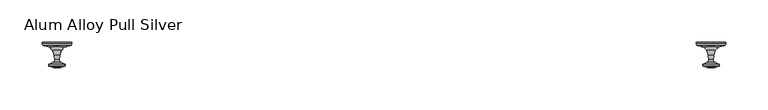
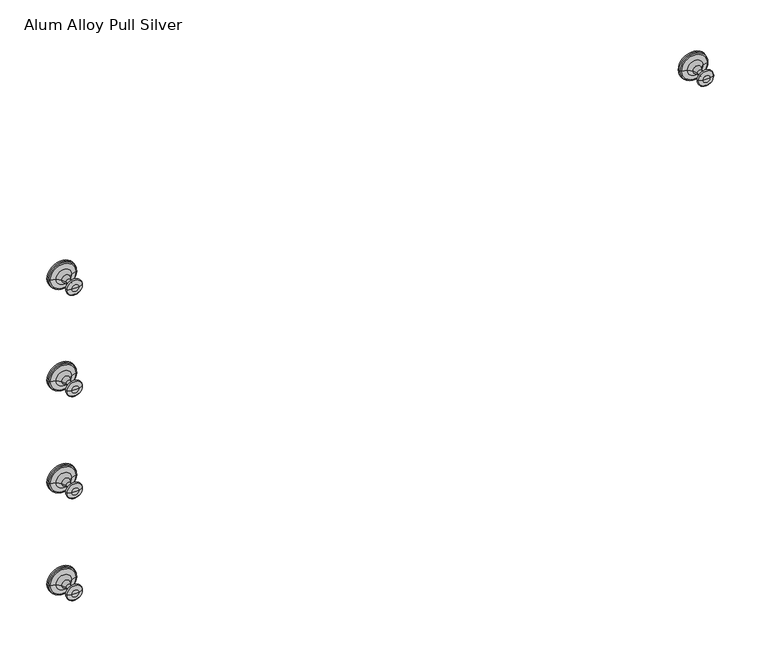
"""IFC4 building model written with IfcOpenShell, lengths in millimetres: furniture geometry, Alum Alloy Pull Silver."""

import ifcopenshell
import ifcopenshell.guid

model = None  # the IFC model being written
_history = None  # IfcOwnerHistory: only IFC2X3 demands one
_inside = {}  # id of a spatial element -> (the spatial element, [elements in it])
_under = {}  # id of a project, library or spatial element -> (it, [spatial elements below it])
_declared = {}  # id of a project -> (the project, [libraries it declares])
_typed = {}  # id of a type object -> (the type object, [elements of that type])
_made_of = {}  # id of a material, layer set ... -> (it, [elements and type objects made of it])


def new_model(schema):
    """Start an empty IFC model of exactly this schema.

    Asked for "IFC4X3", IfcOpenShell would pick the latest addendum, in which some entities
    have other attributes; the version numbers below select the first issue.
    IFC2X3 requires an IfcOwnerHistory on every rooted entity: one is made here for all.
    """
    global model, _history
    if schema == "IFC4X3":
        model = ifcopenshell.file(schema_version=(4, 3, 0, 0))
    else:
        model = ifcopenshell.file(schema=schema)
    _inside.clear()
    _under.clear()
    _declared.clear()
    _typed.clear()
    _made_of.clear()
    _history = None
    if model.schema == "IFC2X3":
        org = make("IfcOrganization", Name="unknown")
        user = make(
            "IfcPersonAndOrganization",
            ThePerson=make("IfcPerson", FamilyName="unknown"),
            TheOrganization=org,
        )
        app = make(
            "IfcApplication",
            ApplicationDeveloper=org,
            Version="unknown",
            ApplicationFullName="unknown",
            ApplicationIdentifier="unknown",
        )
        _history = make(
            "IfcOwnerHistory",
            OwningUser=user,
            OwningApplication=app,
            ChangeAction="ADDED",
            CreationDate=0,
        )
    return model


def make(cls, **values):
    """One entity of the class cls with the attributes given. An attribute that is None is left unset."""
    return model.create_entity(
        cls, **{name: value for name, value in values.items() if value is not None}
    )


def rooted(cls, **values):
    """An entity with a GlobalId (a new one), such as an element, a storey or a relation."""
    return make(cls, GlobalId=ifcopenshell.guid.new(), OwnerHistory=_history, **values)


def si_unit(unit_type, name, prefix=None):
    """IfcSIUnit, for example si_unit("LENGTHUNIT", "METRE", prefix="MILLI")."""
    return make("IfcSIUnit", UnitType=unit_type, Prefix=prefix, Name=name)


def assignment(units):
    """IfcUnitAssignment: the units of a project."""
    return None if units is None else make("IfcUnitAssignment", Units=units)


def point(xyz):
    """IfcCartesianPoint."""
    return None if xyz is None else make("IfcCartesianPoint", Coordinates=xyz)


def direction(xyz):
    """IfcDirection."""
    return None if xyz is None else make("IfcDirection", DirectionRatios=xyz)


def frame(location, z_axis=None, x_axis=None):
    """IfcAxis2Placement3D, a coordinate frame: its origin and axes. An axis left out is left unset."""
    return make(
        "IfcAxis2Placement3D",
        Location=point(location),
        Axis=direction(z_axis),
        RefDirection=direction(x_axis),
    )


def origin():
    """The frame at (0, 0, 0) with its axes left unset."""
    return frame((0.0, 0.0, 0.0))


def place(relative_to, where):
    """IfcLocalPlacement: puts the frame where relative to a parent placement (None: the world)."""
    return make(
        "IfcLocalPlacement", PlacementRelTo=relative_to, RelativePlacement=where
    )


def context(
    kind, dimensions, precision=None, world=None, true_north=None, identifier=None
):
    """IfcGeometricRepresentationContext, for example the 3D "Model" context."""
    return make(
        "IfcGeometricRepresentationContext",
        ContextIdentifier=identifier,
        ContextType=kind,
        CoordinateSpaceDimension=dimensions,
        Precision=precision,
        WorldCoordinateSystem=world,
        TrueNorth=true_north,
    )


def project(units=None, contexts=None):
    """IfcProject with its units and contexts."""
    return rooted(
        "IfcProject",
        Name="project",
        RepresentationContexts=contexts,
        UnitsInContext=assignment(units),
    )


def spatial(cls, under=None, at=None, **own):
    """A site, building, storey or space (cls), placed at a placement, below another one or the project."""
    s = rooted(cls, ObjectPlacement=at, **own)
    if under is not None:
        _under.setdefault(under.id(), (under, []))[1].append(s)
    return s


def polyline(points):
    """IfcPolyline through the points."""
    return make("IfcPolyline", Points=[point(p) for p in points])


def circle_curve(where, radius):
    """IfcCircle in the frame where."""
    return make("IfcCircle", Position=where, Radius=radius)


def ellipse_curve(where, semi_axis1, semi_axis2):
    """IfcEllipse in the frame where."""
    return make(
        "IfcEllipse", Position=where, SemiAxis1=semi_axis1, SemiAxis2=semi_axis2
    )


def trimmed(basis, trim1, trim2, sense, master):
    """IfcTrimmedCurve: the piece of a basis curve between two trims."""
    return make(
        "IfcTrimmedCurve",
        BasisCurve=basis,
        Trim1=trim1,
        Trim2=trim2,
        SenseAgreement=sense,
        MasterRepresentation=master,
    )


def shape(context_of_items, identifier, shape_type, items):
    """IfcShapeRepresentation: the items that make up one representation, for example the "Body"."""
    return make(
        "IfcShapeRepresentation",
        ContextOfItems=context_of_items,
        RepresentationIdentifier=identifier,
        RepresentationType=shape_type,
        Items=items,
    )


def source(mapping_origin, context_of_items, identifier, shape_type, items):
    """IfcRepresentationMap: a shape defined once, which mapped items show again and again."""
    return make(
        "IfcRepresentationMap",
        MappingOrigin=mapping_origin,
        MappedRepresentation=shape(context_of_items, identifier, shape_type, items),
    )


def transform(
    local_origin,
    x_axis=None,
    y_axis=None,
    z_axis=None,
    scale=None,
    scale2=None,
    scale3=None,
    uniform=True,
):
    """IfcCartesianTransformationOperator3D, or its non-uniform kind. x_axis, y_axis, z_axis: its Axis1, 2, 3."""
    if uniform:
        return make(
            "IfcCartesianTransformationOperator3D",
            Axis1=direction(x_axis),
            Axis2=direction(y_axis),
            LocalOrigin=point(local_origin),
            Scale=scale,
            Axis3=direction(z_axis),
        )
    return make(
        "IfcCartesianTransformationOperator3DnonUniform",
        Axis1=direction(x_axis),
        Axis2=direction(y_axis),
        LocalOrigin=point(local_origin),
        Scale=scale,
        Axis3=direction(z_axis),
        Scale2=scale2,
        Scale3=scale3,
    )


def mapped(mapping_source, mapping_target):
    """IfcMappedItem: shows the shape of a source again, moved by a transform."""
    return make(
        "IfcMappedItem", MappingSource=mapping_source, MappingTarget=mapping_target
    )


def made_of(thing, what):
    """Note that an element or type object is made of a material, layer set ...; save() writes the relation."""
    if what is not None:
        _made_of.setdefault(what.id(), (what, []))[1].append(thing)
    return thing


def element(
    cls,
    number,
    at=None,
    inside=None,
    cuts=None,
    type_object=None,
    material=None,
    context=None,
    identifier="Body",
    shape_type=None,
    held_by="IfcProductDefinitionShape",
    body=None,
    shapes=None,
    **own,
):
    """One element of the class cls, such as IfcWall. Its Tag is "e" and its number.

    at: its placement. inside: the storey or other place that contains it. cuts: it is an
    opening in that element (IfcRelVoidsElement). A single representation is given by context,
    identifier, shape_type and body (its items); several are given by shapes. held_by: the class
    of the entity that holds the representations. save() writes the other relations.
    """
    e = rooted(cls, Tag="e%d" % number, ObjectPlacement=at, **own)
    if body is not None:
        shapes = [shape(context, identifier, shape_type, body)]
    if shapes is not None:
        e.Representation = make(held_by, Representations=shapes)
    if inside is not None:
        _inside.setdefault(inside.id(), (inside, []))[1].append(e)
    if cuts is not None:
        rooted(
            "IfcRelVoidsElement", RelatingBuildingElement=cuts, RelatedOpeningElement=e
        )
    if type_object is not None:
        _typed.setdefault(type_object.id(), (type_object, []))[1].append(e)
    return made_of(e, material)


def aggregate(whole, parts):
    """IfcRelAggregates: a whole, such as a stair, and the parts it consists of."""
    return rooted("IfcRelAggregates", RelatingObject=whole, RelatedObjects=parts)


def save(model, path):
    """Write the relations noted so far, then the file.

    IfcRelAggregates (storeys below a building ...), IfcRelContainedInSpatialStructure (elements
    in a storey), IfcRelDefinesByType, IfcRelAssociatesMaterial and IfcRelDeclares: one each for
    every whole, place, type object, material and project.
    """
    for whole, parts in _under.values():
        aggregate(whole, parts)
    for where, things in _inside.values():
        rooted(
            "IfcRelContainedInSpatialStructure",
            RelatedElements=things,
            RelatingStructure=where,
        )
    for kind, things in _typed.values():
        rooted("IfcRelDefinesByType", RelatedObjects=things, RelatingType=kind)
    for what, things in _made_of.values():
        rooted("IfcRelAssociatesMaterial", RelatedObjects=things, RelatingMaterial=what)
    for by, libraries in _declared.values():
        rooted("IfcRelDeclares", RelatingContext=by, RelatedDefinitions=libraries)
    model.write(path)


def plane_surface(at):
    """IfcPlane: the flat surface through the origin of the frame at, square to its z axis."""
    return make("IfcPlane", Position=at)


def cylinder_surface(at, radius):
    """IfcCylindricalSurface: all points at the distance radius from the z axis of the frame at."""
    return make("IfcCylindricalSurface", Position=at, Radius=radius)


def revolved_surface(curve, axis_point, axis_direction):
    """IfcSurfaceOfRevolution: the curve turned about the line through axis_point along axis_direction."""
    return make(
        "IfcSurfaceOfRevolution",
        SweptCurve=make("IfcArbitraryOpenProfileDef", ProfileType="CURVE", Curve=curve),
        AxisPosition=make("IfcAxis1Placement", Location=point(axis_point), Axis=direction(axis_direction)),
    )


def advanced_brep(points, edges, surfaces, faces):
    """IfcAdvancedBrep: a solid bounded by faces that lie on surfaces and meet in shared edges.

    An edge is (start, end): straight between two places in points (the first is 0);
    or (start, end, curve); or (start, end, curve, False) where it runs against its curve.
    A face is (place in surfaces, loops), or (place, loops, False) where it looks against
    its surface's normal. A loop lists edges by number (the first is 1), with a minus sign
    where the edge is run from its end to its start. The first loop is the outer one.
    """
    corners = [point(p) for p in points]
    vertices = [make("IfcVertexPoint", VertexGeometry=c) for c in corners]
    made = []
    for start, end, *more in edges:
        made.append(
            make(
                "IfcEdgeCurve",
                EdgeStart=vertices[start],
                EdgeEnd=vertices[end],
                EdgeGeometry=more[0] if more else make("IfcPolyline", Points=[corners[start], corners[end]]),
                SameSense=more[1] if len(more) > 1 else True,
            )
        )
    hull = []
    for where, loops, *sense in faces:
        bounds = []
        for j, loop in enumerate(loops):
            ring = [make("IfcOrientedEdge", EdgeElement=made[abs(k) - 1], Orientation=k > 0) for k in loop]
            bounds.append(
                make(
                    "IfcFaceOuterBound" if j == 0 else "IfcFaceBound",
                    Bound=make("IfcEdgeLoop", EdgeList=ring),
                    Orientation=True,
                )
            )
        hull.append(make("IfcAdvancedFace", Bounds=bounds, FaceSurface=surfaces[where], SameSense=sense[0] if sense else True))
    return make("IfcAdvancedBrep", Outer=make("IfcClosedShell", CfsFaces=hull))


def alum_alloy_pull_silver_6780ac53(model_context):
    return source(origin(), model_context, "Body", "AdvancedBrep", [
        advanced_brep(
        [(346.1355663, -257.8192238, 657.9997), (364.7494737, -257.8192238, 657.9997), (360.1854354, -259.1398554, 657.9997), (350.6996046, -259.1398554, 657.9997), (346.2656092, -255.2710872, 657.9997), (364.6194308, -255.2710872, 657.9997), (350.9048174, -253.301007, 657.9997), (359.9802226, -253.301007, 657.9997), (352.7536943, -250.2783323, 657.9997), (358.1313457, -250.2783323, 657.9997), (352.3778815, -245.0166622, 657.9997), (358.5071585, -245.0166622, 657.9997), (350.4313797, -239.1137522, 657.9997), (360.4536603, -239.1137522, 657.9997), (345.9168296, -234.8414839, 657.9997), (364.9682104, -234.8414839, 657.9997), (339.9156334, -233.2231597, 657.9997), (370.9694066, -233.2231597, 657.9997), (338.4975151, -232.6357682, 657.9997), (372.3875249, -232.6357682, 657.9997), (337.9101236, -231.2176499, 657.9997), (372.9749164, -231.2176499, 657.9997), (337.9101236, -229.21214, 657.9997), (372.9749164, -229.21214, 657.9997), (355.44252, -229.21214, 657.9997), (355.44252, -259.5867943, 657.9997)],
        [
            (0, 1, circle_curve(frame((355.44252, -257.8192238, 657.9997), z_axis=(0.0, -1.0, 0.0), x_axis=(1.0, 0.0, 0.0)), 9.3069537)),
            (1, 2),
            (2, 3, circle_curve(frame((355.44252, -259.1398554, 657.9997), z_axis=(0.0, 1.0, 0.0), x_axis=(1.0, 0.0, 0.0)), 4.7429154)),
            (3, 0),
            (1, 0, circle_curve(frame((355.44252, -257.8192238, 657.9997), z_axis=(0.0, -1.0, 0.0), x_axis=(1.0, 0.0, 0.0)), 9.3069537)),
            (3, 2, circle_curve(frame((355.44252, -259.1398554, 657.9997), z_axis=(0.0, 1.0, 0.0), x_axis=(1.0, 0.0, 0.0)), 4.7429154)),
            (4, 5, circle_curve(frame((355.44252, -255.2710872, 657.9997), z_axis=(0.0, -1.0, 0.0), x_axis=(1.0, 0.0, 0.0)), 9.1769108)),
            (5, 1, circle_curve(frame((363.9039745, -256.5849868, 657.9997), z_axis=(0.0, 0.0, -1.0), x_axis=(-1.0, 0.0, 0.0)), 1.4960648)),
            (0, 4, circle_curve(frame((346.9810655, -256.5849868, 657.9997), z_axis=(0.0, 0.0, -1.0), x_axis=(1.0, 0.0, 0.0)), 1.4960648)),
            (5, 4, circle_curve(frame((355.44252, -255.2710872, 657.9997), z_axis=(0.0, -1.0, 0.0), x_axis=(1.0, 0.0, 0.0)), 9.1769108)),
            (6, 7, circle_curve(frame((355.44252, -253.301007, 657.9997), z_axis=(0.0, -1.0, 0.0), x_axis=(1.0, 0.0, 0.0)), 4.5377026)),
            (7, 5),
            (4, 6),
            (7, 6, circle_curve(frame((355.44252, -253.301007, 657.9997), z_axis=(0.0, -1.0, 0.0), x_axis=(1.0, 0.0, 0.0)), 4.5377026)),
            (8, 9, circle_curve(frame((355.44252, -250.2783323, 657.9997), z_axis=(0.0, -1.0, 0.0), x_axis=(1.0, 0.0, 0.0)), 2.6888257)),
            (9, 7, circle_curve(frame((361.1716131, -250.4954823, 657.9997), z_axis=(0.0, 0.0, 1.0), x_axis=(-1.0, 0.0, 0.0)), 3.0480125)),
            (6, 8, circle_curve(frame((349.7134269, -250.4954823, 657.9997), z_axis=(0.0, 0.0, 1.0), x_axis=(1.0, 0.0, 0.0)), 3.0480125)),
            (9, 8, circle_curve(frame((355.44252, -250.2783323, 657.9997), z_axis=(0.0, -1.0, 0.0), x_axis=(1.0, 0.0, 0.0)), 2.6888257)),
            (10, 11, circle_curve(frame((355.44252, -245.0166622, 657.9997), z_axis=(0.0, -1.0, 0.0), x_axis=(1.0, 0.0, 0.0)), 3.0646385)),
            (11, 9),
            (8, 10),
            (11, 10, circle_curve(frame((355.44252, -245.0166622, 657.9997), z_axis=(0.0, -1.0, 0.0), x_axis=(1.0, 0.0, 0.0)), 3.0646385)),
            (12, 13, circle_curve(frame((355.44252, -239.1137522, 657.9997), z_axis=(0.0, -1.0, 0.0), x_axis=(1.0, 0.0, 0.0)), 5.0111403)),
            (13, 11),
            (10, 12),
            (13, 12, circle_curve(frame((355.44252, -239.1137522, 657.9997), z_axis=(0.0, -1.0, 0.0), x_axis=(1.0, 0.0, 0.0)), 5.0111403)),
            (14, 15, circle_curve(frame((355.44252, -234.8414839, 657.9997), z_axis=(0.0, -1.0, 0.0), x_axis=(1.0, 0.0, 0.0)), 9.5256904)),
            (15, 13),
            (12, 14),
            (15, 14, circle_curve(frame((355.44252, -234.8414839, 657.9997), z_axis=(0.0, -1.0, 0.0), x_axis=(1.0, 0.0, 0.0)), 9.5256904)),
            (16, 17, circle_curve(frame((355.44252, -233.2231597, 657.9997), z_axis=(0.0, -1.0, 0.0), x_axis=(1.0, 0.0, 0.0)), 15.5268866)),
            (17, 15),
            (14, 16),
            (17, 16, circle_curve(frame((355.44252, -233.2231597, 657.9997), z_axis=(0.0, -1.0, 0.0), x_axis=(1.0, 0.0, 0.0)), 15.5268866)),
            (18, 19, circle_curve(frame((355.44252, -232.6357682, 657.9997), z_axis=(0.0, -1.0, 0.0), x_axis=(1.0, 0.0, 0.0)), 16.9450049)),
            (19, 17),
            (16, 18),
            (19, 18, circle_curve(frame((355.44252, -232.6357682, 657.9997), z_axis=(0.0, -1.0, 0.0), x_axis=(1.0, 0.0, 0.0)), 16.9450049)),
            (20, 21, circle_curve(frame((355.44252, -231.2176499, 657.9997), z_axis=(0.0, -1.0, 0.0), x_axis=(1.0, 0.0, 0.0)), 17.5323964)),
            (21, 19),
            (18, 20),
            (21, 20, circle_curve(frame((355.44252, -231.2176499, 657.9997), z_axis=(0.0, -1.0, 0.0), x_axis=(1.0, 0.0, 0.0)), 17.5323964)),
            (22, 23, circle_curve(frame((355.44252, -229.21214, 657.9997), z_axis=(0.0, -1.0, 0.0), x_axis=(1.0, 0.0, 0.0)), 17.5323964)),
            (23, 21),
            (20, 22),
            (23, 22, circle_curve(frame((355.44252, -229.21214, 657.9997), z_axis=(0.0, -1.0, 0.0), x_axis=(1.0, 0.0, 0.0)), 17.5323964)),
            (24, 23),
            (22, 24),
            (2, 25),
            (25, 3),
        ],
        [
            revolved_surface(polyline([(360.1854354, -259.1398554, 657.9997), (364.7494737, -257.8192238, 657.9997)]), (355.44252, -259.5867943, 657.9997), (0.0, 1.0, 0.0)),
            revolved_surface(trimmed(ellipse_curve(frame((363.9039745, -256.5849868, 657.9997), z_axis=(0.0, 0.0, 1.0), x_axis=(-1.0, 0.0, 0.0)), 1.4960648, 1.4960648), [point((364.7494737, -257.8192238, 657.9997))], [point((364.6194308, -255.2710872, 657.9997))], True, "CARTESIAN"), (355.44252, -259.5867943, 657.9997), (0.0, 1.0, 0.0)),
            revolved_surface(polyline([(364.6194308, -255.2710872, 657.9997), (359.9802226, -253.301007, 657.9997)]), (355.44252, -259.5867943, 657.9997), (0.0, 1.0, 0.0)),
            revolved_surface(trimmed(ellipse_curve(frame((361.1716131, -250.4954823, 657.9997), z_axis=(0.0, 0.0, -1.0), x_axis=(-1.0, 0.0, 0.0)), 3.0480125, 3.0480125), [point((359.9802226, -253.301007, 657.9997))], [point((358.1313457, -250.2783323, 657.9997))], True, "CARTESIAN"), (355.44252, -259.5867943, 657.9997), (0.0, 1.0, 0.0)),
            revolved_surface(polyline([(358.1313457, -250.2783323, 657.9997), (358.5071585, -245.0166622, 657.9997)]), (355.44252, -259.5867943, 657.9997), (0.0, 1.0, 0.0)),
            revolved_surface(polyline([(358.5071585, -245.0166622, 657.9997), (360.4536603, -239.1137522, 657.9997)]), (355.44252, -259.5867943, 657.9997), (0.0, 1.0, 0.0)),
            revolved_surface(polyline([(360.4536603, -239.1137522, 657.9997), (364.9682104, -234.8414839, 657.9997)]), (355.44252, -259.5867943, 657.9997), (0.0, 1.0, 0.0)),
            revolved_surface(polyline([(364.9682104, -234.8414839, 657.9997), (370.9694066, -233.2231597, 657.9997)]), (355.44252, -259.5867943, 657.9997), (0.0, 1.0, 0.0)),
            revolved_surface(polyline([(370.9694066, -233.2231597, 657.9997), (372.3875249, -232.6357682, 657.9997)]), (355.44252, -259.5867943, 657.9997), (0.0, 1.0, 0.0)),
            revolved_surface(polyline([(372.3875249, -232.6357682, 657.9997), (372.9749164, -231.2176499, 657.9997)]), (355.44252, -259.5867943, 657.9997), (0.0, 1.0, 0.0)),
            cylinder_surface(frame((355.44252, -259.5867943, 657.9997), z_axis=(0.0, 1.0, 0.0), x_axis=(1.0, 0.0, 0.0)), 17.5323964),
            plane_surface(frame((355.44252, -229.21214, 657.9997), z_axis=(0.0, 1.0, 0.0), x_axis=(1.0, 0.0, 0.0))),
            revolved_surface(polyline([(355.44252, -259.5867943, 657.9997), (360.1854354, -259.1398554, 657.9997)]), (355.44252, -259.5867943, 657.9997), (0.0, 1.0, 0.0)),
        ],
        [
            (0, [[1, 2, 3, 4]]),
            (0, [[5, -4, 6, -2]]),
            (1, [[7, 8, -1, 9]]),
            (1, [[10, -9, -5, -8]]),
            (2, [[11, 12, -7, 13]]),
            (2, [[14, -13, -10, -12]]),
            (3, [[15, 16, -11, 17]]),
            (3, [[18, -17, -14, -16]]),
            (4, [[19, 20, -15, 21]]),
            (4, [[22, -21, -18, -20]]),
            (5, [[23, 24, -19, 25]]),
            (5, [[26, -25, -22, -24]]),
            (6, [[27, 28, -23, 29]]),
            (6, [[30, -29, -26, -28]]),
            (7, [[31, 32, -27, 33]]),
            (7, [[34, -33, -30, -32]]),
            (8, [[35, 36, -31, 37]]),
            (8, [[38, -37, -34, -36]]),
            (9, [[39, 40, -35, 41]]),
            (9, [[42, -41, -38, -40]]),
            (10, [[43, 44, -39, 45]]),
            (10, [[46, -45, -42, -44]]),
            (11, [[47, -43, 48]]),
            (11, [[-48, -46, -47]]),
            (12, [[-3, 49, 50]]),
            (12, [[-6, -50, -49]]),
        ],
    ),
        advanced_brep(
        [(-429.8699937, -257.8192238, 261.112), (-411.2560863, -257.8192238, 261.112), (-415.8201246, -259.1398554, 261.112), (-425.3059554, -259.1398554, 261.112), (-429.7399508, -255.2710872, 261.112), (-411.3861292, -255.2710872, 261.112), (-425.1007426, -253.301007, 261.112), (-416.0253374, -253.301007, 261.112), (-423.2518657, -250.2783323, 261.112), (-417.8742143, -250.2783323, 261.112), (-423.6276785, -245.0166622, 261.112), (-417.4984015, -245.0166622, 261.112), (-425.5741803, -239.1137522, 261.112), (-415.5518997, -239.1137522, 261.112), (-430.0887304, -234.8414839, 261.112), (-411.0373496, -234.8414839, 261.112), (-436.0899266, -233.2231597, 261.112), (-405.0361534, -233.2231597, 261.112), (-437.5080449, -232.6357682, 261.112), (-403.6180351, -232.6357682, 261.112), (-438.0954364, -231.2176499, 261.112), (-403.0306436, -231.2176499, 261.112), (-438.0954364, -229.21214, 261.112), (-403.0306436, -229.21214, 261.112), (-420.56304, -229.21214, 261.112), (-420.56304, -259.5867943, 261.112)],
        [
            (0, 1, circle_curve(frame((-420.56304, -257.8192238, 261.112), z_axis=(0.0, -1.0, 0.0), x_axis=(1.0, 0.0, 0.0)), 9.3069537)),
            (1, 2),
            (2, 3, circle_curve(frame((-420.56304, -259.1398554, 261.112), z_axis=(0.0, 1.0, 0.0), x_axis=(1.0, 0.0, 0.0)), 4.7429154)),
            (3, 0),
            (1, 0, circle_curve(frame((-420.56304, -257.8192238, 261.112), z_axis=(0.0, -1.0, 0.0), x_axis=(1.0, 0.0, 0.0)), 9.3069537)),
            (3, 2, circle_curve(frame((-420.56304, -259.1398554, 261.112), z_axis=(0.0, 1.0, 0.0), x_axis=(1.0, 0.0, 0.0)), 4.7429154)),
            (4, 5, circle_curve(frame((-420.56304, -255.2710872, 261.112), z_axis=(0.0, -1.0, 0.0), x_axis=(1.0, 0.0, 0.0)), 9.1769108)),
            (5, 1, circle_curve(frame((-412.1015855, -256.5849868, 261.112), z_axis=(0.0, 0.0, -1.0), x_axis=(-1.0, 0.0, 0.0)), 1.4960648)),
            (0, 4, circle_curve(frame((-429.0244945, -256.5849868, 261.112), z_axis=(0.0, 0.0, -1.0), x_axis=(1.0, 0.0, 0.0)), 1.4960648)),
            (5, 4, circle_curve(frame((-420.56304, -255.2710872, 261.112), z_axis=(0.0, -1.0, 0.0), x_axis=(1.0, 0.0, 0.0)), 9.1769108)),
            (6, 7, circle_curve(frame((-420.56304, -253.301007, 261.112), z_axis=(0.0, -1.0, 0.0), x_axis=(1.0, 0.0, 0.0)), 4.5377026)),
            (7, 5),
            (4, 6),
            (7, 6, circle_curve(frame((-420.56304, -253.301007, 261.112), z_axis=(0.0, -1.0, 0.0), x_axis=(1.0, 0.0, 0.0)), 4.5377026)),
            (8, 9, circle_curve(frame((-420.56304, -250.2783323, 261.112), z_axis=(0.0, -1.0, 0.0), x_axis=(1.0, 0.0, 0.0)), 2.6888257)),
            (9, 7, circle_curve(frame((-414.8339469, -250.4954823, 261.112), z_axis=(0.0, 0.0, 1.0), x_axis=(-1.0, 0.0, 0.0)), 3.0480125)),
            (6, 8, circle_curve(frame((-426.2921331, -250.4954823, 261.112), z_axis=(0.0, 0.0, 1.0), x_axis=(1.0, 0.0, 0.0)), 3.0480125)),
            (9, 8, circle_curve(frame((-420.56304, -250.2783323, 261.112), z_axis=(0.0, -1.0, 0.0), x_axis=(1.0, 0.0, 0.0)), 2.6888257)),
            (10, 11, circle_curve(frame((-420.56304, -245.0166622, 261.112), z_axis=(0.0, -1.0, 0.0), x_axis=(1.0, 0.0, 0.0)), 3.0646385)),
            (11, 9),
            (8, 10),
            (11, 10, circle_curve(frame((-420.56304, -245.0166622, 261.112), z_axis=(0.0, -1.0, 0.0), x_axis=(1.0, 0.0, 0.0)), 3.0646385)),
            (12, 13, circle_curve(frame((-420.56304, -239.1137522, 261.112), z_axis=(0.0, -1.0, 0.0), x_axis=(1.0, 0.0, 0.0)), 5.0111403)),
            (13, 11),
            (10, 12),
            (13, 12, circle_curve(frame((-420.56304, -239.1137522, 261.112), z_axis=(0.0, -1.0, 0.0), x_axis=(1.0, 0.0, 0.0)), 5.0111403)),
            (14, 15, circle_curve(frame((-420.56304, -234.8414839, 261.112), z_axis=(0.0, -1.0, 0.0), x_axis=(1.0, 0.0, 0.0)), 9.5256904)),
            (15, 13),
            (12, 14),
            (15, 14, circle_curve(frame((-420.56304, -234.8414839, 261.112), z_axis=(0.0, -1.0, 0.0), x_axis=(1.0, 0.0, 0.0)), 9.5256904)),
            (16, 17, circle_curve(frame((-420.56304, -233.2231597, 261.112), z_axis=(0.0, -1.0, 0.0), x_axis=(1.0, 0.0, 0.0)), 15.5268866)),
            (17, 15),
            (14, 16),
            (17, 16, circle_curve(frame((-420.56304, -233.2231597, 261.112), z_axis=(0.0, -1.0, 0.0), x_axis=(1.0, 0.0, 0.0)), 15.5268866)),
            (18, 19, circle_curve(frame((-420.56304, -232.6357682, 261.112), z_axis=(0.0, -1.0, 0.0), x_axis=(1.0, 0.0, 0.0)), 16.9450049)),
            (19, 17),
            (16, 18),
            (19, 18, circle_curve(frame((-420.56304, -232.6357682, 261.112), z_axis=(0.0, -1.0, 0.0), x_axis=(1.0, 0.0, 0.0)), 16.9450049)),
            (20, 21, circle_curve(frame((-420.56304, -231.2176499, 261.112), z_axis=(0.0, -1.0, 0.0), x_axis=(1.0, 0.0, 0.0)), 17.5323964)),
            (21, 19),
            (18, 20),
            (21, 20, circle_curve(frame((-420.56304, -231.2176499, 261.112), z_axis=(0.0, -1.0, 0.0), x_axis=(1.0, 0.0, 0.0)), 17.5323964)),
            (22, 23, circle_curve(frame((-420.56304, -229.21214, 261.112), z_axis=(0.0, -1.0, 0.0), x_axis=(1.0, 0.0, 0.0)), 17.5323964)),
            (23, 21),
            (20, 22),
            (23, 22, circle_curve(frame((-420.56304, -229.21214, 261.112), z_axis=(0.0, -1.0, 0.0), x_axis=(1.0, 0.0, 0.0)), 17.5323964)),
            (24, 23),
            (22, 24),
            (2, 25),
            (25, 3),
        ],
        [
            revolved_surface(polyline([(-415.8201246, -259.1398554, 261.112), (-411.2560863, -257.8192238, 261.112)]), (-420.56304, -259.5867943, 261.112), (0.0, 1.0, 0.0)),
            revolved_surface(trimmed(ellipse_curve(frame((-412.1015855, -256.5849868, 261.112), z_axis=(0.0, 0.0, 1.0), x_axis=(-1.0, 0.0, 0.0)), 1.4960648, 1.4960648), [point((-411.2560863, -257.8192238, 261.112))], [point((-411.3861292, -255.2710872, 261.112))], True, "CARTESIAN"), (-420.56304, -259.5867943, 261.112), (0.0, 1.0, 0.0)),
            revolved_surface(polyline([(-411.3861292, -255.2710872, 261.112), (-416.0253374, -253.301007, 261.112)]), (-420.56304, -259.5867943, 261.112), (0.0, 1.0, 0.0)),
            revolved_surface(trimmed(ellipse_curve(frame((-414.8339469, -250.4954823, 261.112), z_axis=(0.0, 0.0, -1.0), x_axis=(-1.0, 0.0, 0.0)), 3.0480125, 3.0480125), [point((-416.0253374, -253.301007, 261.112))], [point((-417.8742143, -250.2783323, 261.112))], True, "CARTESIAN"), (-420.56304, -259.5867943, 261.112), (0.0, 1.0, 0.0)),
            revolved_surface(polyline([(-417.8742143, -250.2783323, 261.112), (-417.4984015, -245.0166622, 261.112)]), (-420.56304, -259.5867943, 261.112), (0.0, 1.0, 0.0)),
            revolved_surface(polyline([(-417.4984015, -245.0166622, 261.112), (-415.5518997, -239.1137522, 261.112)]), (-420.56304, -259.5867943, 261.112), (0.0, 1.0, 0.0)),
            revolved_surface(polyline([(-415.5518997, -239.1137522, 261.112), (-411.0373496, -234.8414839, 261.112)]), (-420.56304, -259.5867943, 261.112), (0.0, 1.0, 0.0)),
            revolved_surface(polyline([(-411.0373496, -234.8414839, 261.112), (-405.0361534, -233.2231597, 261.112)]), (-420.56304, -259.5867943, 261.112), (0.0, 1.0, 0.0)),
            revolved_surface(polyline([(-405.0361534, -233.2231597, 261.112), (-403.6180351, -232.6357682, 261.112)]), (-420.56304, -259.5867943, 261.112), (0.0, 1.0, 0.0)),
            revolved_surface(polyline([(-403.6180351, -232.6357682, 261.112), (-403.0306436, -231.2176499, 261.112)]), (-420.56304, -259.5867943, 261.112), (0.0, 1.0, 0.0)),
            cylinder_surface(frame((-420.56304, -259.5867943, 261.112), z_axis=(0.0, 1.0, 0.0), x_axis=(1.0, 0.0, 0.0)), 17.5323964),
            plane_surface(frame((-420.56304, -229.21214, 261.112), z_axis=(0.0, 1.0, 0.0), x_axis=(1.0, 0.0, 0.0))),
            revolved_surface(polyline([(-420.56304, -259.5867943, 261.112), (-415.8201246, -259.1398554, 261.112)]), (-420.56304, -259.5867943, 261.112), (0.0, 1.0, 0.0)),
        ],
        [
            (0, [[1, 2, 3, 4]]),
            (0, [[5, -4, 6, -2]]),
            (1, [[7, 8, -1, 9]]),
            (1, [[10, -9, -5, -8]]),
            (2, [[11, 12, -7, 13]]),
            (2, [[14, -13, -10, -12]]),
            (3, [[15, 16, -11, 17]]),
            (3, [[18, -17, -14, -16]]),
            (4, [[19, 20, -15, 21]]),
            (4, [[22, -21, -18, -20]]),
            (5, [[23, 24, -19, 25]]),
            (5, [[26, -25, -22, -24]]),
            (6, [[27, 28, -23, 29]]),
            (6, [[30, -29, -26, -28]]),
            (7, [[31, 32, -27, 33]]),
            (7, [[34, -33, -30, -32]]),
            (8, [[35, 36, -31, 37]]),
            (8, [[38, -37, -34, -36]]),
            (9, [[39, 40, -35, 41]]),
            (9, [[42, -41, -38, -40]]),
            (10, [[43, 44, -39, 45]]),
            (10, [[46, -45, -42, -44]]),
            (11, [[47, -43, 48]]),
            (11, [[-48, -46, -47]]),
            (12, [[-3, 49, 50]]),
            (12, [[-6, -50, -49]]),
        ],
    ),
        advanced_brep(
        [(-429.8699937, -257.8192238, 393.66825), (-411.2560863, -257.8192238, 393.66825), (-415.8201246, -259.1398554, 393.66825), (-425.3059554, -259.1398554, 393.66825), (-429.7399508, -255.2710872, 393.66825), (-411.3861292, -255.2710872, 393.66825), (-425.1007426, -253.301007, 393.66825), (-416.0253374, -253.301007, 393.66825), (-423.2518657, -250.2783323, 393.66825), (-417.8742143, -250.2783323, 393.66825), (-423.6276785, -245.0166622, 393.66825), (-417.4984015, -245.0166622, 393.66825), (-425.5741803, -239.1137522, 393.66825), (-415.5518997, -239.1137522, 393.66825), (-430.0887304, -234.8414839, 393.66825), (-411.0373496, -234.8414839, 393.66825), (-436.0899266, -233.2231597, 393.66825), (-405.0361534, -233.2231597, 393.66825), (-437.5080449, -232.6357682, 393.66825), (-403.6180351, -232.6357682, 393.66825), (-438.0954364, -231.2176499, 393.66825), (-403.0306436, -231.2176499, 393.66825), (-438.0954364, -229.21214, 393.66825), (-403.0306436, -229.21214, 393.66825), (-420.56304, -229.21214, 393.66825), (-420.56304, -259.5867943, 393.66825)],
        [
            (0, 1, circle_curve(frame((-420.56304, -257.8192238, 393.66825), z_axis=(0.0, -1.0, 0.0), x_axis=(1.0, 0.0, 0.0)), 9.3069537)),
            (1, 2),
            (2, 3, circle_curve(frame((-420.56304, -259.1398554, 393.66825), z_axis=(0.0, 1.0, 0.0), x_axis=(1.0, 0.0, 0.0)), 4.7429154)),
            (3, 0),
            (1, 0, circle_curve(frame((-420.56304, -257.8192238, 393.66825), z_axis=(0.0, -1.0, 0.0), x_axis=(1.0, 0.0, 0.0)), 9.3069537)),
            (3, 2, circle_curve(frame((-420.56304, -259.1398554, 393.66825), z_axis=(0.0, 1.0, 0.0), x_axis=(1.0, 0.0, 0.0)), 4.7429154)),
            (4, 5, circle_curve(frame((-420.56304, -255.2710872, 393.66825), z_axis=(0.0, -1.0, 0.0), x_axis=(1.0, 0.0, 0.0)), 9.1769108)),
            (5, 1, circle_curve(frame((-412.1015855, -256.5849868, 393.66825), z_axis=(0.0, 0.0, -1.0), x_axis=(-1.0, 0.0, 0.0)), 1.4960648)),
            (0, 4, circle_curve(frame((-429.0244945, -256.5849868, 393.66825), z_axis=(0.0, 0.0, -1.0), x_axis=(1.0, 0.0, 0.0)), 1.4960648)),
            (5, 4, circle_curve(frame((-420.56304, -255.2710872, 393.66825), z_axis=(0.0, -1.0, 0.0), x_axis=(1.0, 0.0, 0.0)), 9.1769108)),
            (6, 7, circle_curve(frame((-420.56304, -253.301007, 393.66825), z_axis=(0.0, -1.0, 0.0), x_axis=(1.0, 0.0, 0.0)), 4.5377026)),
            (7, 5),
            (4, 6),
            (7, 6, circle_curve(frame((-420.56304, -253.301007, 393.66825), z_axis=(0.0, -1.0, 0.0), x_axis=(1.0, 0.0, 0.0)), 4.5377026)),
            (8, 9, circle_curve(frame((-420.56304, -250.2783323, 393.66825), z_axis=(0.0, -1.0, 0.0), x_axis=(1.0, 0.0, 0.0)), 2.6888257)),
            (9, 7, circle_curve(frame((-414.8339469, -250.4954823, 393.66825), z_axis=(0.0, 0.0, 1.0), x_axis=(-1.0, 0.0, 0.0)), 3.0480125)),
            (6, 8, circle_curve(frame((-426.2921331, -250.4954823, 393.66825), z_axis=(0.0, 0.0, 1.0), x_axis=(1.0, 0.0, 0.0)), 3.0480125)),
            (9, 8, circle_curve(frame((-420.56304, -250.2783323, 393.66825), z_axis=(0.0, -1.0, 0.0), x_axis=(1.0, 0.0, 0.0)), 2.6888257)),
            (10, 11, circle_curve(frame((-420.56304, -245.0166622, 393.66825), z_axis=(0.0, -1.0, 0.0), x_axis=(1.0, 0.0, 0.0)), 3.0646385)),
            (11, 9),
            (8, 10),
            (11, 10, circle_curve(frame((-420.56304, -245.0166622, 393.66825), z_axis=(0.0, -1.0, 0.0), x_axis=(1.0, 0.0, 0.0)), 3.0646385)),
            (12, 13, circle_curve(frame((-420.56304, -239.1137522, 393.66825), z_axis=(0.0, -1.0, 0.0), x_axis=(1.0, 0.0, 0.0)), 5.0111403)),
            (13, 11),
            (10, 12),
            (13, 12, circle_curve(frame((-420.56304, -239.1137522, 393.66825), z_axis=(0.0, -1.0, 0.0), x_axis=(1.0, 0.0, 0.0)), 5.0111403)),
            (14, 15, circle_curve(frame((-420.56304, -234.8414839, 393.66825), z_axis=(0.0, -1.0, 0.0), x_axis=(1.0, 0.0, 0.0)), 9.5256904)),
            (15, 13),
            (12, 14),
            (15, 14, circle_curve(frame((-420.56304, -234.8414839, 393.66825), z_axis=(0.0, -1.0, 0.0), x_axis=(1.0, 0.0, 0.0)), 9.5256904)),
            (16, 17, circle_curve(frame((-420.56304, -233.2231597, 393.66825), z_axis=(0.0, -1.0, 0.0), x_axis=(1.0, 0.0, 0.0)), 15.5268866)),
            (17, 15),
            (14, 16),
            (17, 16, circle_curve(frame((-420.56304, -233.2231597, 393.66825), z_axis=(0.0, -1.0, 0.0), x_axis=(1.0, 0.0, 0.0)), 15.5268866)),
            (18, 19, circle_curve(frame((-420.56304, -232.6357682, 393.66825), z_axis=(0.0, -1.0, 0.0), x_axis=(1.0, 0.0, 0.0)), 16.9450049)),
            (19, 17),
            (16, 18),
            (19, 18, circle_curve(frame((-420.56304, -232.6357682, 393.66825), z_axis=(0.0, -1.0, 0.0), x_axis=(1.0, 0.0, 0.0)), 16.9450049)),
            (20, 21, circle_curve(frame((-420.56304, -231.2176499, 393.66825), z_axis=(0.0, -1.0, 0.0), x_axis=(1.0, 0.0, 0.0)), 17.5323964)),
            (21, 19),
            (18, 20),
            (21, 20, circle_curve(frame((-420.56304, -231.2176499, 393.66825), z_axis=(0.0, -1.0, 0.0), x_axis=(1.0, 0.0, 0.0)), 17.5323964)),
            (22, 23, circle_curve(frame((-420.56304, -229.21214, 393.66825), z_axis=(0.0, -1.0, 0.0), x_axis=(1.0, 0.0, 0.0)), 17.5323964)),
            (23, 21),
            (20, 22),
            (23, 22, circle_curve(frame((-420.56304, -229.21214, 393.66825), z_axis=(0.0, -1.0, 0.0), x_axis=(1.0, 0.0, 0.0)), 17.5323964)),
            (24, 23),
            (22, 24),
            (2, 25),
            (25, 3),
        ],
        [
            revolved_surface(polyline([(-415.8201246, -259.1398554, 393.66825), (-411.2560863, -257.8192238, 393.66825)]), (-420.56304, -259.5867943, 393.66825), (0.0, 1.0, 0.0)),
            revolved_surface(trimmed(ellipse_curve(frame((-412.1015855, -256.5849868, 393.66825), z_axis=(0.0, 0.0, 1.0), x_axis=(-1.0, 0.0, 0.0)), 1.4960648, 1.4960648), [point((-411.2560863, -257.8192238, 393.66825))], [point((-411.3861292, -255.2710872, 393.66825))], True, "CARTESIAN"), (-420.56304, -259.5867943, 393.66825), (0.0, 1.0, 0.0)),
            revolved_surface(polyline([(-411.3861292, -255.2710872, 393.66825), (-416.0253374, -253.301007, 393.66825)]), (-420.56304, -259.5867943, 393.66825), (0.0, 1.0, 0.0)),
            revolved_surface(trimmed(ellipse_curve(frame((-414.8339469, -250.4954823, 393.66825), z_axis=(0.0, 0.0, -1.0), x_axis=(-1.0, 0.0, 0.0)), 3.0480125, 3.0480125), [point((-416.0253374, -253.301007, 393.66825))], [point((-417.8742143, -250.2783323, 393.66825))], True, "CARTESIAN"), (-420.56304, -259.5867943, 393.66825), (0.0, 1.0, 0.0)),
            revolved_surface(polyline([(-417.8742143, -250.2783323, 393.66825), (-417.4984015, -245.0166622, 393.66825)]), (-420.56304, -259.5867943, 393.66825), (0.0, 1.0, 0.0)),
            revolved_surface(polyline([(-417.4984015, -245.0166622, 393.66825), (-415.5518997, -239.1137522, 393.66825)]), (-420.56304, -259.5867943, 393.66825), (0.0, 1.0, 0.0)),
            revolved_surface(polyline([(-415.5518997, -239.1137522, 393.66825), (-411.0373496, -234.8414839, 393.66825)]), (-420.56304, -259.5867943, 393.66825), (0.0, 1.0, 0.0)),
            revolved_surface(polyline([(-411.0373496, -234.8414839, 393.66825), (-405.0361534, -233.2231597, 393.66825)]), (-420.56304, -259.5867943, 393.66825), (0.0, 1.0, 0.0)),
            revolved_surface(polyline([(-405.0361534, -233.2231597, 393.66825), (-403.6180351, -232.6357682, 393.66825)]), (-420.56304, -259.5867943, 393.66825), (0.0, 1.0, 0.0)),
            revolved_surface(polyline([(-403.6180351, -232.6357682, 393.66825), (-403.0306436, -231.2176499, 393.66825)]), (-420.56304, -259.5867943, 393.66825), (0.0, 1.0, 0.0)),
            cylinder_surface(frame((-420.56304, -259.5867943, 393.66825), z_axis=(0.0, 1.0, 0.0), x_axis=(1.0, 0.0, 0.0)), 17.5323964),
            plane_surface(frame((-420.56304, -229.21214, 393.66825), z_axis=(0.0, 1.0, 0.0), x_axis=(1.0, 0.0, 0.0))),
            revolved_surface(polyline([(-420.56304, -259.5867943, 393.66825), (-415.8201246, -259.1398554, 393.66825)]), (-420.56304, -259.5867943, 393.66825), (0.0, 1.0, 0.0)),
        ],
        [
            (0, [[1, 2, 3, 4]]),
            (0, [[5, -4, 6, -2]]),
            (1, [[7, 8, -1, 9]]),
            (1, [[10, -9, -5, -8]]),
            (2, [[11, 12, -7, 13]]),
            (2, [[14, -13, -10, -12]]),
            (3, [[15, 16, -11, 17]]),
            (3, [[18, -17, -14, -16]]),
            (4, [[19, 20, -15, 21]]),
            (4, [[22, -21, -18, -20]]),
            (5, [[23, 24, -19, 25]]),
            (5, [[26, -25, -22, -24]]),
            (6, [[27, 28, -23, 29]]),
            (6, [[30, -29, -26, -28]]),
            (7, [[31, 32, -27, 33]]),
            (7, [[34, -33, -30, -32]]),
            (8, [[35, 36, -31, 37]]),
            (8, [[38, -37, -34, -36]]),
            (9, [[39, 40, -35, 41]]),
            (9, [[42, -41, -38, -40]]),
            (10, [[43, 44, -39, 45]]),
            (10, [[46, -45, -42, -44]]),
            (11, [[47, -43, 48]]),
            (11, [[-48, -46, -47]]),
            (12, [[-3, 49, 50]]),
            (12, [[-6, -50, -49]]),
        ],
    ),
        advanced_brep(
        [(-429.8699937, -257.8192238, 526.2245), (-411.2560863, -257.8192238, 526.2245), (-415.8201246, -259.1398554, 526.2245), (-425.3059554, -259.1398554, 526.2245), (-429.7399508, -255.2710872, 526.2245), (-411.3861292, -255.2710872, 526.2245), (-425.1007426, -253.301007, 526.2245), (-416.0253374, -253.301007, 526.2245), (-423.2518657, -250.2783323, 526.2245), (-417.8742143, -250.2783323, 526.2245), (-423.6276785, -245.0166622, 526.2245), (-417.4984015, -245.0166622, 526.2245), (-425.5741803, -239.1137522, 526.2245), (-415.5518997, -239.1137522, 526.2245), (-430.0887304, -234.8414839, 526.2245), (-411.0373496, -234.8414839, 526.2245), (-436.0899266, -233.2231597, 526.2245), (-405.0361534, -233.2231597, 526.2245), (-437.5080449, -232.6357682, 526.2245), (-403.6180351, -232.6357682, 526.2245), (-438.0954364, -231.2176499, 526.2245), (-403.0306436, -231.2176499, 526.2245), (-438.0954364, -229.21214, 526.2245), (-403.0306436, -229.21214, 526.2245), (-420.56304, -229.21214, 526.2245), (-420.56304, -259.5867943, 526.2245)],
        [
            (0, 1, circle_curve(frame((-420.56304, -257.8192238, 526.2245), z_axis=(0.0, -1.0, 0.0), x_axis=(1.0, 0.0, 0.0)), 9.3069537)),
            (1, 2),
            (2, 3, circle_curve(frame((-420.56304, -259.1398554, 526.2245), z_axis=(0.0, 1.0, 0.0), x_axis=(1.0, 0.0, 0.0)), 4.7429154)),
            (3, 0),
            (1, 0, circle_curve(frame((-420.56304, -257.8192238, 526.2245), z_axis=(0.0, -1.0, 0.0), x_axis=(1.0, 0.0, 0.0)), 9.3069537)),
            (3, 2, circle_curve(frame((-420.56304, -259.1398554, 526.2245), z_axis=(0.0, 1.0, 0.0), x_axis=(1.0, 0.0, 0.0)), 4.7429154)),
            (4, 5, circle_curve(frame((-420.56304, -255.2710872, 526.2245), z_axis=(0.0, -1.0, 0.0), x_axis=(1.0, 0.0, 0.0)), 9.1769108)),
            (5, 1, circle_curve(frame((-412.1015855, -256.5849868, 526.2245), z_axis=(0.0, 0.0, -1.0), x_axis=(-1.0, 0.0, 0.0)), 1.4960648)),
            (0, 4, circle_curve(frame((-429.0244945, -256.5849868, 526.2245), z_axis=(0.0, 0.0, -1.0), x_axis=(1.0, 0.0, 0.0)), 1.4960648)),
            (5, 4, circle_curve(frame((-420.56304, -255.2710872, 526.2245), z_axis=(0.0, -1.0, 0.0), x_axis=(1.0, 0.0, 0.0)), 9.1769108)),
            (6, 7, circle_curve(frame((-420.56304, -253.301007, 526.2245), z_axis=(0.0, -1.0, 0.0), x_axis=(1.0, 0.0, 0.0)), 4.5377026)),
            (7, 5),
            (4, 6),
            (7, 6, circle_curve(frame((-420.56304, -253.301007, 526.2245), z_axis=(0.0, -1.0, 0.0), x_axis=(1.0, 0.0, 0.0)), 4.5377026)),
            (8, 9, circle_curve(frame((-420.56304, -250.2783323, 526.2245), z_axis=(0.0, -1.0, 0.0), x_axis=(1.0, 0.0, 0.0)), 2.6888257)),
            (9, 7, circle_curve(frame((-414.8339469, -250.4954823, 526.2245), z_axis=(0.0, 0.0, 1.0), x_axis=(-1.0, 0.0, 0.0)), 3.0480125)),
            (6, 8, circle_curve(frame((-426.2921331, -250.4954823, 526.2245), z_axis=(0.0, 0.0, 1.0), x_axis=(1.0, 0.0, 0.0)), 3.0480125)),
            (9, 8, circle_curve(frame((-420.56304, -250.2783323, 526.2245), z_axis=(0.0, -1.0, 0.0), x_axis=(1.0, 0.0, 0.0)), 2.6888257)),
            (10, 11, circle_curve(frame((-420.56304, -245.0166622, 526.2245), z_axis=(0.0, -1.0, 0.0), x_axis=(1.0, 0.0, 0.0)), 3.0646385)),
            (11, 9),
            (8, 10),
            (11, 10, circle_curve(frame((-420.56304, -245.0166622, 526.2245), z_axis=(0.0, -1.0, 0.0), x_axis=(1.0, 0.0, 0.0)), 3.0646385)),
            (12, 13, circle_curve(frame((-420.56304, -239.1137522, 526.2245), z_axis=(0.0, -1.0, 0.0), x_axis=(1.0, 0.0, 0.0)), 5.0111403)),
            (13, 11),
            (10, 12),
            (13, 12, circle_curve(frame((-420.56304, -239.1137522, 526.2245), z_axis=(0.0, -1.0, 0.0), x_axis=(1.0, 0.0, 0.0)), 5.0111403)),
            (14, 15, circle_curve(frame((-420.56304, -234.8414839, 526.2245), z_axis=(0.0, -1.0, 0.0), x_axis=(1.0, 0.0, 0.0)), 9.5256904)),
            (15, 13),
            (12, 14),
            (15, 14, circle_curve(frame((-420.56304, -234.8414839, 526.2245), z_axis=(0.0, -1.0, 0.0), x_axis=(1.0, 0.0, 0.0)), 9.5256904)),
            (16, 17, circle_curve(frame((-420.56304, -233.2231597, 526.2245), z_axis=(0.0, -1.0, 0.0), x_axis=(1.0, 0.0, 0.0)), 15.5268866)),
            (17, 15),
            (14, 16),
            (17, 16, circle_curve(frame((-420.56304, -233.2231597, 526.2245), z_axis=(0.0, -1.0, 0.0), x_axis=(1.0, 0.0, 0.0)), 15.5268866)),
            (18, 19, circle_curve(frame((-420.56304, -232.6357682, 526.2245), z_axis=(0.0, -1.0, 0.0), x_axis=(1.0, 0.0, 0.0)), 16.9450049)),
            (19, 17),
            (16, 18),
            (19, 18, circle_curve(frame((-420.56304, -232.6357682, 526.2245), z_axis=(0.0, -1.0, 0.0), x_axis=(1.0, 0.0, 0.0)), 16.9450049)),
            (20, 21, circle_curve(frame((-420.56304, -231.2176499, 526.2245), z_axis=(0.0, -1.0, 0.0), x_axis=(1.0, 0.0, 0.0)), 17.5323964)),
            (21, 19),
            (18, 20),
            (21, 20, circle_curve(frame((-420.56304, -231.2176499, 526.2245), z_axis=(0.0, -1.0, 0.0), x_axis=(1.0, 0.0, 0.0)), 17.5323964)),
            (22, 23, circle_curve(frame((-420.56304, -229.21214, 526.2245), z_axis=(0.0, -1.0, 0.0), x_axis=(1.0, 0.0, 0.0)), 17.5323964)),
            (23, 21),
            (20, 22),
            (23, 22, circle_curve(frame((-420.56304, -229.21214, 526.2245), z_axis=(0.0, -1.0, 0.0), x_axis=(1.0, 0.0, 0.0)), 17.5323964)),
            (24, 23),
            (22, 24),
            (2, 25),
            (25, 3),
        ],
        [
            revolved_surface(polyline([(-415.8201246, -259.1398554, 526.2245), (-411.2560863, -257.8192238, 526.2245)]), (-420.56304, -259.5867943, 526.2245), (0.0, 1.0, 0.0)),
            revolved_surface(trimmed(ellipse_curve(frame((-412.1015855, -256.5849868, 526.2245), z_axis=(0.0, 0.0, 1.0), x_axis=(-1.0, 0.0, 0.0)), 1.4960648, 1.4960648), [point((-411.2560863, -257.8192238, 526.2245))], [point((-411.3861292, -255.2710872, 526.2245))], True, "CARTESIAN"), (-420.56304, -259.5867943, 526.2245), (0.0, 1.0, 0.0)),
            revolved_surface(polyline([(-411.3861292, -255.2710872, 526.2245), (-416.0253374, -253.301007, 526.2245)]), (-420.56304, -259.5867943, 526.2245), (0.0, 1.0, 0.0)),
            revolved_surface(trimmed(ellipse_curve(frame((-414.8339469, -250.4954823, 526.2245), z_axis=(0.0, 0.0, -1.0), x_axis=(-1.0, 0.0, 0.0)), 3.0480125, 3.0480125), [point((-416.0253374, -253.301007, 526.2245))], [point((-417.8742143, -250.2783323, 526.2245))], True, "CARTESIAN"), (-420.56304, -259.5867943, 526.2245), (0.0, 1.0, 0.0)),
            revolved_surface(polyline([(-417.8742143, -250.2783323, 526.2245), (-417.4984015, -245.0166622, 526.2245)]), (-420.56304, -259.5867943, 526.2245), (0.0, 1.0, 0.0)),
            revolved_surface(polyline([(-417.4984015, -245.0166622, 526.2245), (-415.5518997, -239.1137522, 526.2245)]), (-420.56304, -259.5867943, 526.2245), (0.0, 1.0, 0.0)),
            revolved_surface(polyline([(-415.5518997, -239.1137522, 526.2245), (-411.0373496, -234.8414839, 526.2245)]), (-420.56304, -259.5867943, 526.2245), (0.0, 1.0, 0.0)),
            revolved_surface(polyline([(-411.0373496, -234.8414839, 526.2245), (-405.0361534, -233.2231597, 526.2245)]), (-420.56304, -259.5867943, 526.2245), (0.0, 1.0, 0.0)),
            revolved_surface(polyline([(-405.0361534, -233.2231597, 526.2245), (-403.6180351, -232.6357682, 526.2245)]), (-420.56304, -259.5867943, 526.2245), (0.0, 1.0, 0.0)),
            revolved_surface(polyline([(-403.6180351, -232.6357682, 526.2245), (-403.0306436, -231.2176499, 526.2245)]), (-420.56304, -259.5867943, 526.2245), (0.0, 1.0, 0.0)),
            cylinder_surface(frame((-420.56304, -259.5867943, 526.2245), z_axis=(0.0, 1.0, 0.0), x_axis=(1.0, 0.0, 0.0)), 17.5323964),
            plane_surface(frame((-420.56304, -229.21214, 526.2245), z_axis=(0.0, 1.0, 0.0), x_axis=(1.0, 0.0, 0.0))),
            revolved_surface(polyline([(-420.56304, -259.5867943, 526.2245), (-415.8201246, -259.1398554, 526.2245)]), (-420.56304, -259.5867943, 526.2245), (0.0, 1.0, 0.0)),
        ],
        [
            (0, [[1, 2, 3, 4]]),
            (0, [[5, -4, 6, -2]]),
            (1, [[7, 8, -1, 9]]),
            (1, [[10, -9, -5, -8]]),
            (2, [[11, 12, -7, 13]]),
            (2, [[14, -13, -10, -12]]),
            (3, [[15, 16, -11, 17]]),
            (3, [[18, -17, -14, -16]]),
            (4, [[19, 20, -15, 21]]),
            (4, [[22, -21, -18, -20]]),
            (5, [[23, 24, -19, 25]]),
            (5, [[26, -25, -22, -24]]),
            (6, [[27, 28, -23, 29]]),
            (6, [[30, -29, -26, -28]]),
            (7, [[31, 32, -27, 33]]),
            (7, [[34, -33, -30, -32]]),
            (8, [[35, 36, -31, 37]]),
            (8, [[38, -37, -34, -36]]),
            (9, [[39, 40, -35, 41]]),
            (9, [[42, -41, -38, -40]]),
            (10, [[43, 44, -39, 45]]),
            (10, [[46, -45, -42, -44]]),
            (11, [[47, -43, 48]]),
            (11, [[-48, -46, -47]]),
            (12, [[-3, 49, 50]]),
            (12, [[-6, -50, -49]]),
        ],
    ),
        advanced_brep(
        [(-429.8699937, -257.8192238, 657.9997), (-411.2560863, -257.8192238, 657.9997), (-415.8201246, -259.1398554, 657.9997), (-425.3059554, -259.1398554, 657.9997), (-429.7399508, -255.2710872, 657.9997), (-411.3861292, -255.2710872, 657.9997), (-425.1007426, -253.301007, 657.9997), (-416.0253374, -253.301007, 657.9997), (-423.2518657, -250.2783323, 657.9997), (-417.8742143, -250.2783323, 657.9997), (-423.6276785, -245.0166622, 657.9997), (-417.4984015, -245.0166622, 657.9997), (-425.5741803, -239.1137522, 657.9997), (-415.5518997, -239.1137522, 657.9997), (-430.0887304, -234.8414839, 657.9997), (-411.0373496, -234.8414839, 657.9997), (-436.0899266, -233.2231597, 657.9997), (-405.0361534, -233.2231597, 657.9997), (-437.5080449, -232.6357682, 657.9997), (-403.6180351, -232.6357682, 657.9997), (-438.0954364, -231.2176499, 657.9997), (-403.0306436, -231.2176499, 657.9997), (-438.0954364, -229.21214, 657.9997), (-403.0306436, -229.21214, 657.9997), (-420.56304, -229.21214, 657.9997), (-420.56304, -259.5867943, 657.9997)],
        [
            (0, 1, circle_curve(frame((-420.56304, -257.8192238, 657.9997), z_axis=(0.0, -1.0, 0.0), x_axis=(1.0, 0.0, 0.0)), 9.3069537)),
            (1, 2),
            (2, 3, circle_curve(frame((-420.56304, -259.1398554, 657.9997), z_axis=(0.0, 1.0, 0.0), x_axis=(1.0, 0.0, 0.0)), 4.7429154)),
            (3, 0),
            (1, 0, circle_curve(frame((-420.56304, -257.8192238, 657.9997), z_axis=(0.0, -1.0, 0.0), x_axis=(1.0, 0.0, 0.0)), 9.3069537)),
            (3, 2, circle_curve(frame((-420.56304, -259.1398554, 657.9997), z_axis=(0.0, 1.0, 0.0), x_axis=(1.0, 0.0, 0.0)), 4.7429154)),
            (4, 5, circle_curve(frame((-420.56304, -255.2710872, 657.9997), z_axis=(0.0, -1.0, 0.0), x_axis=(1.0, 0.0, 0.0)), 9.1769108)),
            (5, 1, circle_curve(frame((-412.1015855, -256.5849868, 657.9997), z_axis=(0.0, 0.0, -1.0), x_axis=(-1.0, 0.0, 0.0)), 1.4960648)),
            (0, 4, circle_curve(frame((-429.0244945, -256.5849868, 657.9997), z_axis=(0.0, 0.0, -1.0), x_axis=(1.0, 0.0, 0.0)), 1.4960648)),
            (5, 4, circle_curve(frame((-420.56304, -255.2710872, 657.9997), z_axis=(0.0, -1.0, 0.0), x_axis=(1.0, 0.0, 0.0)), 9.1769108)),
            (6, 7, circle_curve(frame((-420.56304, -253.301007, 657.9997), z_axis=(0.0, -1.0, 0.0), x_axis=(1.0, 0.0, 0.0)), 4.5377026)),
            (7, 5),
            (4, 6),
            (7, 6, circle_curve(frame((-420.56304, -253.301007, 657.9997), z_axis=(0.0, -1.0, 0.0), x_axis=(1.0, 0.0, 0.0)), 4.5377026)),
            (8, 9, circle_curve(frame((-420.56304, -250.2783323, 657.9997), z_axis=(0.0, -1.0, 0.0), x_axis=(1.0, 0.0, 0.0)), 2.6888257)),
            (9, 7, circle_curve(frame((-414.8339469, -250.4954823, 657.9997), z_axis=(0.0, 0.0, 1.0), x_axis=(-1.0, 0.0, 0.0)), 3.0480125)),
            (6, 8, circle_curve(frame((-426.2921331, -250.4954823, 657.9997), z_axis=(0.0, 0.0, 1.0), x_axis=(1.0, 0.0, 0.0)), 3.0480125)),
            (9, 8, circle_curve(frame((-420.56304, -250.2783323, 657.9997), z_axis=(0.0, -1.0, 0.0), x_axis=(1.0, 0.0, 0.0)), 2.6888257)),
            (10, 11, circle_curve(frame((-420.56304, -245.0166622, 657.9997), z_axis=(0.0, -1.0, 0.0), x_axis=(1.0, 0.0, 0.0)), 3.0646385)),
            (11, 9),
            (8, 10),
            (11, 10, circle_curve(frame((-420.56304, -245.0166622, 657.9997), z_axis=(0.0, -1.0, 0.0), x_axis=(1.0, 0.0, 0.0)), 3.0646385)),
            (12, 13, circle_curve(frame((-420.56304, -239.1137522, 657.9997), z_axis=(0.0, -1.0, 0.0), x_axis=(1.0, 0.0, 0.0)), 5.0111403)),
            (13, 11),
            (10, 12),
            (13, 12, circle_curve(frame((-420.56304, -239.1137522, 657.9997), z_axis=(0.0, -1.0, 0.0), x_axis=(1.0, 0.0, 0.0)), 5.0111403)),
            (14, 15, circle_curve(frame((-420.56304, -234.8414839, 657.9997), z_axis=(0.0, -1.0, 0.0), x_axis=(1.0, 0.0, 0.0)), 9.5256904)),
            (15, 13),
            (12, 14),
            (15, 14, circle_curve(frame((-420.56304, -234.8414839, 657.9997), z_axis=(0.0, -1.0, 0.0), x_axis=(1.0, 0.0, 0.0)), 9.5256904)),
            (16, 17, circle_curve(frame((-420.56304, -233.2231597, 657.9997), z_axis=(0.0, -1.0, 0.0), x_axis=(1.0, 0.0, 0.0)), 15.5268866)),
            (17, 15),
            (14, 16),
            (17, 16, circle_curve(frame((-420.56304, -233.2231597, 657.9997), z_axis=(0.0, -1.0, 0.0), x_axis=(1.0, 0.0, 0.0)), 15.5268866)),
            (18, 19, circle_curve(frame((-420.56304, -232.6357682, 657.9997), z_axis=(0.0, -1.0, 0.0), x_axis=(1.0, 0.0, 0.0)), 16.9450049)),
            (19, 17),
            (16, 18),
            (19, 18, circle_curve(frame((-420.56304, -232.6357682, 657.9997), z_axis=(0.0, -1.0, 0.0), x_axis=(1.0, 0.0, 0.0)), 16.9450049)),
            (20, 21, circle_curve(frame((-420.56304, -231.2176499, 657.9997), z_axis=(0.0, -1.0, 0.0), x_axis=(1.0, 0.0, 0.0)), 17.5323964)),
            (21, 19),
            (18, 20),
            (21, 20, circle_curve(frame((-420.56304, -231.2176499, 657.9997), z_axis=(0.0, -1.0, 0.0), x_axis=(1.0, 0.0, 0.0)), 17.5323964)),
            (22, 23, circle_curve(frame((-420.56304, -229.21214, 657.9997), z_axis=(0.0, -1.0, 0.0), x_axis=(1.0, 0.0, 0.0)), 17.5323964)),
            (23, 21),
            (20, 22),
            (23, 22, circle_curve(frame((-420.56304, -229.21214, 657.9997), z_axis=(0.0, -1.0, 0.0), x_axis=(1.0, 0.0, 0.0)), 17.5323964)),
            (24, 23),
            (22, 24),
            (2, 25),
            (25, 3),
        ],
        [
            revolved_surface(polyline([(-415.8201246, -259.1398554, 657.9997), (-411.2560863, -257.8192238, 657.9997)]), (-420.56304, -259.5867943, 657.9997), (0.0, 1.0, 0.0)),
            revolved_surface(trimmed(ellipse_curve(frame((-412.1015855, -256.5849868, 657.9997), z_axis=(0.0, 0.0, 1.0), x_axis=(-1.0, 0.0, 0.0)), 1.4960648, 1.4960648), [point((-411.2560863, -257.8192238, 657.9997))], [point((-411.3861292, -255.2710872, 657.9997))], True, "CARTESIAN"), (-420.56304, -259.5867943, 657.9997), (0.0, 1.0, 0.0)),
            revolved_surface(polyline([(-411.3861292, -255.2710872, 657.9997), (-416.0253374, -253.301007, 657.9997)]), (-420.56304, -259.5867943, 657.9997), (0.0, 1.0, 0.0)),
            revolved_surface(trimmed(ellipse_curve(frame((-414.8339469, -250.4954823, 657.9997), z_axis=(0.0, 0.0, -1.0), x_axis=(-1.0, 0.0, 0.0)), 3.0480125, 3.0480125), [point((-416.0253374, -253.301007, 657.9997))], [point((-417.8742143, -250.2783323, 657.9997))], True, "CARTESIAN"), (-420.56304, -259.5867943, 657.9997), (0.0, 1.0, 0.0)),
            revolved_surface(polyline([(-417.8742143, -250.2783323, 657.9997), (-417.4984015, -245.0166622, 657.9997)]), (-420.56304, -259.5867943, 657.9997), (0.0, 1.0, 0.0)),
            revolved_surface(polyline([(-417.4984015, -245.0166622, 657.9997), (-415.5518997, -239.1137522, 657.9997)]), (-420.56304, -259.5867943, 657.9997), (0.0, 1.0, 0.0)),
            revolved_surface(polyline([(-415.5518997, -239.1137522, 657.9997), (-411.0373496, -234.8414839, 657.9997)]), (-420.56304, -259.5867943, 657.9997), (0.0, 1.0, 0.0)),
            revolved_surface(polyline([(-411.0373496, -234.8414839, 657.9997), (-405.0361534, -233.2231597, 657.9997)]), (-420.56304, -259.5867943, 657.9997), (0.0, 1.0, 0.0)),
            revolved_surface(polyline([(-405.0361534, -233.2231597, 657.9997), (-403.6180351, -232.6357682, 657.9997)]), (-420.56304, -259.5867943, 657.9997), (0.0, 1.0, 0.0)),
            revolved_surface(polyline([(-403.6180351, -232.6357682, 657.9997), (-403.0306436, -231.2176499, 657.9997)]), (-420.56304, -259.5867943, 657.9997), (0.0, 1.0, 0.0)),
            cylinder_surface(frame((-420.56304, -259.5867943, 657.9997), z_axis=(0.0, 1.0, 0.0), x_axis=(1.0, 0.0, 0.0)), 17.5323964),
            plane_surface(frame((-420.56304, -229.21214, 657.9997), z_axis=(0.0, 1.0, 0.0), x_axis=(1.0, 0.0, 0.0))),
            revolved_surface(polyline([(-420.56304, -259.5867943, 657.9997), (-415.8201246, -259.1398554, 657.9997)]), (-420.56304, -259.5867943, 657.9997), (0.0, 1.0, 0.0)),
        ],
        [
            (0, [[1, 2, 3, 4]]),
            (0, [[5, -4, 6, -2]]),
            (1, [[7, 8, -1, 9]]),
            (1, [[10, -9, -5, -8]]),
            (2, [[11, 12, -7, 13]]),
            (2, [[14, -13, -10, -12]]),
            (3, [[15, 16, -11, 17]]),
            (3, [[18, -17, -14, -16]]),
            (4, [[19, 20, -15, 21]]),
            (4, [[22, -21, -18, -20]]),
            (5, [[23, 24, -19, 25]]),
            (5, [[26, -25, -22, -24]]),
            (6, [[27, 28, -23, 29]]),
            (6, [[30, -29, -26, -28]]),
            (7, [[31, 32, -27, 33]]),
            (7, [[34, -33, -30, -32]]),
            (8, [[35, 36, -31, 37]]),
            (8, [[38, -37, -34, -36]]),
            (9, [[39, 40, -35, 41]]),
            (9, [[42, -41, -38, -40]]),
            (10, [[43, 44, -39, 45]]),
            (10, [[46, -45, -42, -44]]),
            (11, [[47, -43, 48]]),
            (11, [[-48, -46, -47]]),
            (12, [[-3, 49, 50]]),
            (12, [[-6, -50, -49]]),
        ],
    ),
    ])


if __name__ == "__main__":
    model = new_model("IFC4")
    model_context = context("Model", 3, world=origin())
    ifc_project = project(units=[si_unit("LENGTHUNIT", "METRE", prefix="MILLI")], contexts=[model_context])
    site = spatial("IfcSite", under=ifc_project)
    building = spatial("IfcBuilding", under=site)
    placement = place(None, origin())
    alum_alloy_pull_silver_shape = alum_alloy_pull_silver_6780ac53(model_context)
    element("IfcFurniture", 1, ObjectType="Alum Alloy Pull Silver", at=placement, inside=building, context=model_context, shape_type="MappedRepresentation", body=[
        mapped(alum_alloy_pull_silver_shape, transform((0.0, 0.0, 0.0), x_axis=(1.0, 0.0, 0.0), y_axis=(0.0, 1.0, 0.0), z_axis=(0.0, 0.0, 1.0))),
    ])
    save(model, "model.ifc")
